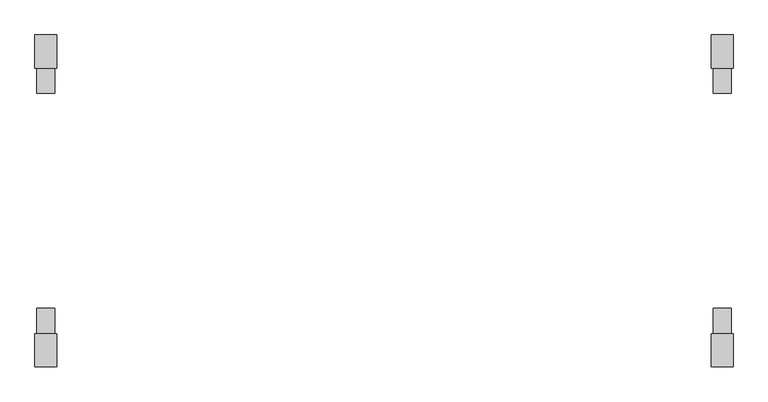
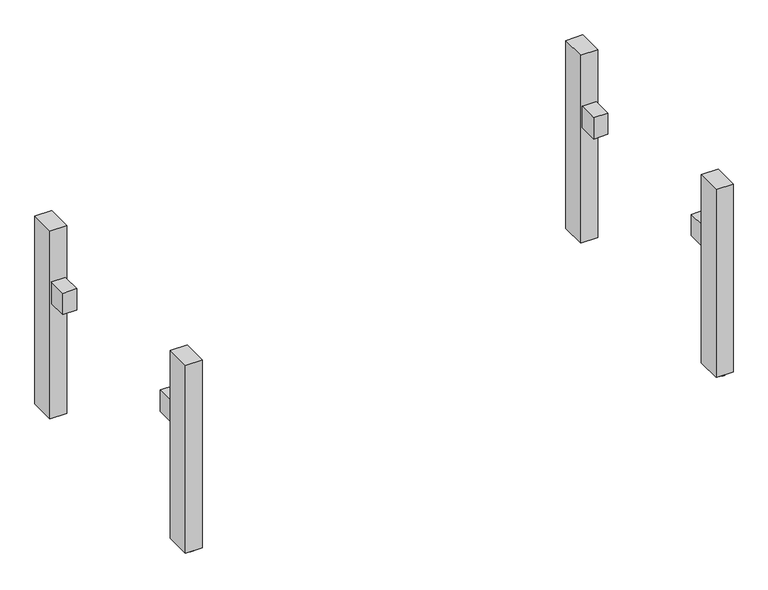
"""IFC4 building model written with IfcOpenShell, lengths in millimetres: furniture geometry."""

import ifcopenshell
import ifcopenshell.guid

model = None  # the IFC model being written
_history = None  # IfcOwnerHistory: only IFC2X3 demands one
_inside = {}  # id of a spatial element -> (the spatial element, [elements in it])
_under = {}  # id of a project, library or spatial element -> (it, [spatial elements below it])
_declared = {}  # id of a project -> (the project, [libraries it declares])
_typed = {}  # id of a type object -> (the type object, [elements of that type])
_made_of = {}  # id of a material, layer set ... -> (it, [elements and type objects made of it])


def new_model(schema):
    """Start an empty IFC model of exactly this schema.

    Asked for "IFC4X3", IfcOpenShell would pick the latest addendum, in which some entities
    have other attributes; the version numbers below select the first issue.
    IFC2X3 requires an IfcOwnerHistory on every rooted entity: one is made here for all.
    """
    global model, _history
    if schema == "IFC4X3":
        model = ifcopenshell.file(schema_version=(4, 3, 0, 0))
    else:
        model = ifcopenshell.file(schema=schema)
    _inside.clear()
    _under.clear()
    _declared.clear()
    _typed.clear()
    _made_of.clear()
    _history = None
    if model.schema == "IFC2X3":
        org = make("IfcOrganization", Name="unknown")
        user = make(
            "IfcPersonAndOrganization",
            ThePerson=make("IfcPerson", FamilyName="unknown"),
            TheOrganization=org,
        )
        app = make(
            "IfcApplication",
            ApplicationDeveloper=org,
            Version="unknown",
            ApplicationFullName="unknown",
            ApplicationIdentifier="unknown",
        )
        _history = make(
            "IfcOwnerHistory",
            OwningUser=user,
            OwningApplication=app,
            ChangeAction="ADDED",
            CreationDate=0,
        )
    return model


def make(cls, **values):
    """One entity of the class cls with the attributes given. An attribute that is None is left unset."""
    return model.create_entity(
        cls, **{name: value for name, value in values.items() if value is not None}
    )


def rooted(cls, **values):
    """An entity with a GlobalId (a new one), such as an element, a storey or a relation."""
    return make(cls, GlobalId=ifcopenshell.guid.new(), OwnerHistory=_history, **values)


def si_unit(unit_type, name, prefix=None):
    """IfcSIUnit, for example si_unit("LENGTHUNIT", "METRE", prefix="MILLI")."""
    return make("IfcSIUnit", UnitType=unit_type, Prefix=prefix, Name=name)


def assignment(units):
    """IfcUnitAssignment: the units of a project."""
    return None if units is None else make("IfcUnitAssignment", Units=units)


def point(xyz):
    """IfcCartesianPoint."""
    return None if xyz is None else make("IfcCartesianPoint", Coordinates=xyz)


def direction(xyz):
    """IfcDirection."""
    return None if xyz is None else make("IfcDirection", DirectionRatios=xyz)


def frame(location, z_axis=None, x_axis=None):
    """IfcAxis2Placement3D, a coordinate frame: its origin and axes. An axis left out is left unset."""
    return make(
        "IfcAxis2Placement3D",
        Location=point(location),
        Axis=direction(z_axis),
        RefDirection=direction(x_axis),
    )


def frame_2d(location, x_axis=None):
    """IfcAxis2Placement2D, a coordinate frame in the plane: its origin and x axis."""
    return make(
        "IfcAxis2Placement2D", Location=point(location), RefDirection=direction(x_axis)
    )


def origin():
    """The frame at (0, 0, 0) with its axes left unset."""
    return frame((0.0, 0.0, 0.0))


def origin_with_axes():
    """The frame at (0, 0, 0) with the z axis (0, 0, 1) and the x axis (1, 0, 0) written out."""
    return frame((0.0, 0.0, 0.0), z_axis=(0.0, 0.0, 1.0), x_axis=(1.0, 0.0, 0.0))


def place(relative_to, where):
    """IfcLocalPlacement: puts the frame where relative to a parent placement (None: the world)."""
    return make(
        "IfcLocalPlacement", PlacementRelTo=relative_to, RelativePlacement=where
    )


def context(
    kind, dimensions, precision=None, world=None, true_north=None, identifier=None
):
    """IfcGeometricRepresentationContext, for example the 3D "Model" context."""
    return make(
        "IfcGeometricRepresentationContext",
        ContextIdentifier=identifier,
        ContextType=kind,
        CoordinateSpaceDimension=dimensions,
        Precision=precision,
        WorldCoordinateSystem=world,
        TrueNorth=true_north,
    )


def project(units=None, contexts=None):
    """IfcProject with its units and contexts."""
    return rooted(
        "IfcProject",
        Name="project",
        RepresentationContexts=contexts,
        UnitsInContext=assignment(units),
    )


def spatial(cls, under=None, at=None, **own):
    """A site, building, storey or space (cls), placed at a placement, below another one or the project."""
    s = rooted(cls, ObjectPlacement=at, **own)
    if under is not None:
        _under.setdefault(under.id(), (under, []))[1].append(s)
    return s


def polyline(points):
    """IfcPolyline through the points."""
    return make("IfcPolyline", Points=[point(p) for p in points])


def circle_curve(where, radius):
    """IfcCircle in the frame where."""
    return make("IfcCircle", Position=where, Radius=radius)


def trimmed(basis, trim1, trim2, sense, master):
    """IfcTrimmedCurve: the piece of a basis curve between two trims."""
    return make(
        "IfcTrimmedCurve",
        BasisCurve=basis,
        Trim1=trim1,
        Trim2=trim2,
        SenseAgreement=sense,
        MasterRepresentation=master,
    )


def segment(curve, same_sense, transition):
    """IfcCompositeCurveSegment."""
    return make(
        "IfcCompositeCurveSegment",
        Transition=transition,
        SameSense=same_sense,
        ParentCurve=curve,
    )


def composite_curve(segments, self_intersect=None):
    """IfcCompositeCurve: segments joined end to end."""
    return make("IfcCompositeCurve", Segments=segments, SelfIntersect=self_intersect)


def outline(outer, holes=None, kind="AREA"):
    """IfcArbitraryClosedProfileDef: a profile drawn as a closed curve; with holes, ...WithVoids."""
    if holes is None:
        return make("IfcArbitraryClosedProfileDef", ProfileType=kind, OuterCurve=outer)
    return make(
        "IfcArbitraryProfileDefWithVoids",
        ProfileType=kind,
        OuterCurve=outer,
        InnerCurves=holes,
    )


def extrude(swept, where, along, depth):
    """IfcExtrudedAreaSolid: the profile swept, set in the frame where, extruded along a direction by depth."""
    return make(
        "IfcExtrudedAreaSolid",
        SweptArea=swept,
        Position=where,
        ExtrudedDirection=direction(along),
        Depth=depth,
    )


def shape(context_of_items, identifier, shape_type, items):
    """IfcShapeRepresentation: the items that make up one representation, for example the "Body"."""
    return make(
        "IfcShapeRepresentation",
        ContextOfItems=context_of_items,
        RepresentationIdentifier=identifier,
        RepresentationType=shape_type,
        Items=items,
    )


def source(mapping_origin, context_of_items, identifier, shape_type, items):
    """IfcRepresentationMap: a shape defined once, which mapped items show again and again."""
    return make(
        "IfcRepresentationMap",
        MappingOrigin=mapping_origin,
        MappedRepresentation=shape(context_of_items, identifier, shape_type, items),
    )


def transform(
    local_origin,
    x_axis=None,
    y_axis=None,
    z_axis=None,
    scale=None,
    scale2=None,
    scale3=None,
    uniform=True,
):
    """IfcCartesianTransformationOperator3D, or its non-uniform kind. x_axis, y_axis, z_axis: its Axis1, 2, 3."""
    if uniform:
        return make(
            "IfcCartesianTransformationOperator3D",
            Axis1=direction(x_axis),
            Axis2=direction(y_axis),
            LocalOrigin=point(local_origin),
            Scale=scale,
            Axis3=direction(z_axis),
        )
    return make(
        "IfcCartesianTransformationOperator3DnonUniform",
        Axis1=direction(x_axis),
        Axis2=direction(y_axis),
        LocalOrigin=point(local_origin),
        Scale=scale,
        Axis3=direction(z_axis),
        Scale2=scale2,
        Scale3=scale3,
    )


def mapped(mapping_source, mapping_target):
    """IfcMappedItem: shows the shape of a source again, moved by a transform."""
    return make(
        "IfcMappedItem", MappingSource=mapping_source, MappingTarget=mapping_target
    )


def made_of(thing, what):
    """Note that an element or type object is made of a material, layer set ...; save() writes the relation."""
    if what is not None:
        _made_of.setdefault(what.id(), (what, []))[1].append(thing)
    return thing


def element(
    cls,
    number,
    at=None,
    inside=None,
    cuts=None,
    type_object=None,
    material=None,
    context=None,
    identifier="Body",
    shape_type=None,
    held_by="IfcProductDefinitionShape",
    body=None,
    shapes=None,
    **own,
):
    """One element of the class cls, such as IfcWall. Its Tag is "e" and its number.

    at: its placement. inside: the storey or other place that contains it. cuts: it is an
    opening in that element (IfcRelVoidsElement). A single representation is given by context,
    identifier, shape_type and body (its items); several are given by shapes. held_by: the class
    of the entity that holds the representations. save() writes the other relations.
    """
    e = rooted(cls, Tag="e%d" % number, ObjectPlacement=at, **own)
    if body is not None:
        shapes = [shape(context, identifier, shape_type, body)]
    if shapes is not None:
        e.Representation = make(held_by, Representations=shapes)
    if inside is not None:
        _inside.setdefault(inside.id(), (inside, []))[1].append(e)
    if cuts is not None:
        rooted(
            "IfcRelVoidsElement", RelatingBuildingElement=cuts, RelatedOpeningElement=e
        )
    if type_object is not None:
        _typed.setdefault(type_object.id(), (type_object, []))[1].append(e)
    return made_of(e, material)


def aggregate(whole, parts):
    """IfcRelAggregates: a whole, such as a stair, and the parts it consists of."""
    return rooted("IfcRelAggregates", RelatingObject=whole, RelatedObjects=parts)


def save(model, path):
    """Write the relations noted so far, then the file.

    IfcRelAggregates (storeys below a building ...), IfcRelContainedInSpatialStructure (elements
    in a storey), IfcRelDefinesByType, IfcRelAssociatesMaterial and IfcRelDeclares: one each for
    every whole, place, type object, material and project.
    """
    for whole, parts in _under.values():
        aggregate(whole, parts)
    for where, things in _inside.values():
        rooted(
            "IfcRelContainedInSpatialStructure",
            RelatedElements=things,
            RelatingStructure=where,
        )
    for kind, things in _typed.values():
        rooted("IfcRelDefinesByType", RelatedObjects=things, RelatingType=kind)
    for what, things in _made_of.values():
        rooted("IfcRelAssociatesMaterial", RelatedObjects=things, RelatingMaterial=what)
    for by, libraries in _declared.values():
        rooted("IfcRelDeclares", RelatingContext=by, RelatedDefinitions=libraries)
    model.write(path)


def furniture_9d2260e9(model_context):
    return source(origin(), model_context, "Body", "SweptSolid", [
        extrude(outline(polyline([(-965.0, -369.0), (-965.0, -299.0), (-915.0, -299.0), (-915.0, -369.0), (-965.0, -369.0)])), frame((0.0, 0.0, 437.5), z_axis=(0.0, 0.0, 1.0), x_axis=(1.0, 0.0, 0.0)), (0.0, 0.0, 1.0), 80.0),
        extrude(outline(polyline([(915.0, -369.0), (915.0, -299.0), (965.0, -299.0), (965.0, -369.0), (915.0, -369.0)])), frame((0.0, 0.0, 437.5), z_axis=(0.0, 0.0, 1.0), x_axis=(1.0, 0.0, 0.0)), (0.0, 0.0, 1.0), 80.0),
        extrude(outline(polyline([(-915.0, 369.0), (-915.0, 299.0), (-965.0, 299.0), (-965.0, 369.0), (-915.0, 369.0)])), frame((0.0, 0.0, 437.5), z_axis=(0.0, 0.0, 1.0), x_axis=(1.0, 0.0, 0.0)), (0.0, 0.0, 1.0), 80.0),
        extrude(outline(polyline([(965.0, 369.0), (965.0, 299.0), (915.0, 299.0), (915.0, 369.0), (965.0, 369.0)])), frame((0.0, 0.0, 437.5), z_axis=(0.0, 0.0, 1.0), x_axis=(1.0, 0.0, 0.0)), (0.0, 0.0, 1.0), 80.0),
        extrude(outline(composite_curve([segment(trimmed(circle_curve(frame_2d((-939.9999984, -431.0)), 25.0), [point((-964.9999984, -431.0))], [point((-914.9999984, -431.0))], False, "CARTESIAN"), True, "CONTINUOUS"), segment(trimmed(circle_curve(frame_2d((-939.9999984, -431.0)), 25.0), [point((-914.9999984, -431.0))], [point((-964.9999984, -431.0))], False, "CARTESIAN"), True, "CONTINUOUS")], self_intersect=False)), origin_with_axes(), (0.0, 0.0, 1.0), 6.0),
        extrude(outline(composite_curve([segment(trimmed(circle_curve(frame_2d((939.9999984, -431.0)), 25.0), [point((914.9999984, -431.0))], [point((964.9999984, -431.0))], False, "CARTESIAN"), True, "CONTINUOUS"), segment(trimmed(circle_curve(frame_2d((939.9999984, -431.0)), 25.0), [point((964.9999984, -431.0))], [point((914.9999984, -431.0))], False, "CARTESIAN"), True, "CONTINUOUS")], self_intersect=False)), origin_with_axes(), (0.0, 0.0, 1.0), 6.0),
        extrude(outline(composite_curve([segment(trimmed(circle_curve(frame_2d((-939.9999984, 431.0)), 25.0), [point((-964.9999984, 431.0))], [point((-914.9999984, 431.0))], False, "CARTESIAN"), True, "CONTINUOUS"), segment(trimmed(circle_curve(frame_2d((-939.9999984, 431.0)), 25.0), [point((-914.9999984, 431.0))], [point((-964.9999984, 431.0))], False, "CARTESIAN"), True, "CONTINUOUS")], self_intersect=False)), origin_with_axes(), (0.0, 0.0, 1.0), 6.0),
        extrude(outline(composite_curve([segment(trimmed(circle_curve(frame_2d((939.9999984, 431.0)), 25.0), [point((914.9999984, 431.0))], [point((964.9999984, 431.0))], False, "CARTESIAN"), True, "CONTINUOUS"), segment(trimmed(circle_curve(frame_2d((939.9999984, 431.0)), 25.0), [point((964.9999984, 431.0))], [point((914.9999984, 431.0))], False, "CARTESIAN"), True, "CONTINUOUS")], self_intersect=False)), origin_with_axes(), (0.0, 0.0, 1.0), 6.0),
        extrude(outline(polyline([(-909.9999968, 461.0), (-909.9999968, 369.0), (-970.0, 369.0), (-970.0, 461.0), (-909.9999968, 461.0)])), frame((0.0, 0.0, 6.0), z_axis=(0.0, 0.0, 1.0), x_axis=(1.0, 0.0, 0.0)), (0.0, 0.0, 1.0), 704.0),
        extrude(outline(polyline([(909.9999968, 461.0), (970.0, 461.0), (970.0, 369.0), (909.9999968, 369.0), (909.9999968, 461.0)])), frame((0.0, 0.0, 6.0), z_axis=(0.0, 0.0, 1.0), x_axis=(1.0, 0.0, 0.0)), (0.0, 0.0, 1.0), 704.0),
        extrude(outline(polyline([(-909.9999968, -461.0), (-970.0, -461.0), (-970.0, -369.0), (-909.9999968, -369.0), (-909.9999968, -461.0)])), frame((0.0, 0.0, 6.0), z_axis=(0.0, 0.0, 1.0), x_axis=(1.0, 0.0, 0.0)), (0.0, 0.0, 1.0), 704.0),
        extrude(outline(polyline([(909.9999968, -461.0), (909.9999968, -369.0), (970.0, -369.0), (970.0, -461.0), (909.9999968, -461.0)])), frame((0.0, 0.0, 6.0), z_axis=(0.0, 0.0, 1.0), x_axis=(1.0, 0.0, 0.0)), (0.0, 0.0, 1.0), 704.0),
    ])


if __name__ == "__main__":
    model = new_model("IFC4")
    model_context = context("Model", 3, world=origin())
    ifc_project = project(units=[si_unit("LENGTHUNIT", "METRE", prefix="MILLI")], contexts=[model_context])
    site = spatial("IfcSite", under=ifc_project)
    building = spatial("IfcBuilding", under=site)
    placement = place(None, origin())
    furniture_shape = furniture_9d2260e9(model_context)
    element("IfcFurniture", 1, at=placement, inside=building, context=model_context, shape_type="MappedRepresentation", body=[
        mapped(furniture_shape, transform((0.0, 0.0, 0.0), x_axis=(1.0, 0.0, 0.0), y_axis=(0.0, 1.0, 0.0), z_axis=(0.0, 0.0, 1.0))),
    ])
    save(model, "model.ifc")
